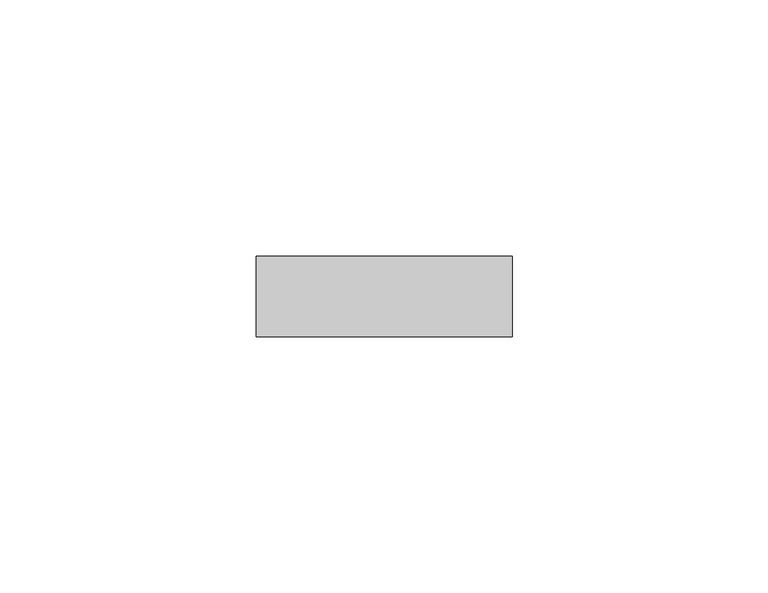
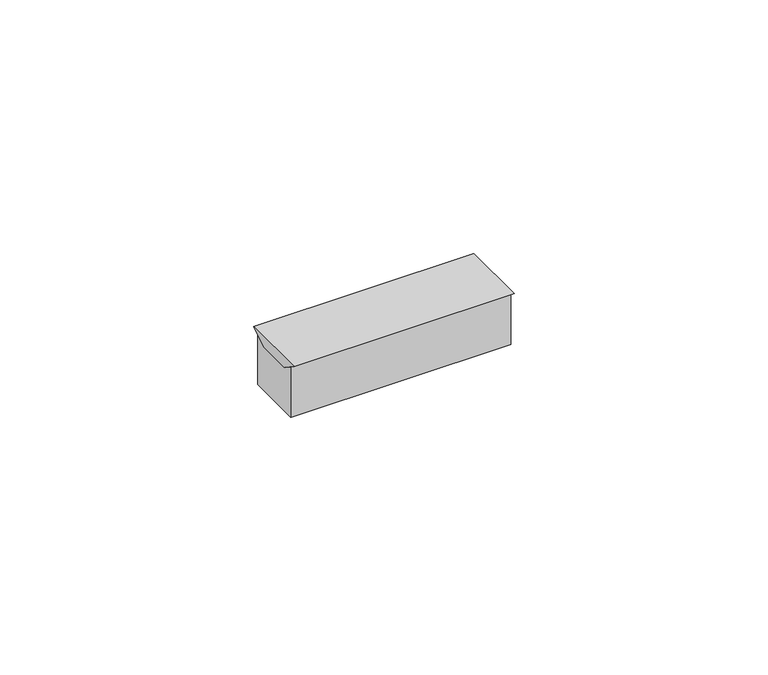
"""IFC4 building model written with IfcOpenShell, lengths in millimetres: light fixture geometry."""

from ifc_helpers import new_model, si_unit, frame, origin, place, context, project, spatial, polyline, outline, extrude, source, transform, mapped, element, save


def light_fixture_9017060b(model_context):
    return source(origin(), model_context, "Body", "SweptSolid", [
        extrude(outline(polyline([(-4.0052359, 10.5052359), (-7.8730995, 13.078125), (7.9375817, 13.078125), (4.0697181, 10.5052359), (-4.0052359, 10.5052359)])), frame((-25.0, 0.0, 0.0), z_axis=(1.0, 0.0, 0.0), x_axis=(0.0, 1.0, 0.0)), (0.0, 0.0, 1.0), 50.0),
        extrude(outline(polyline([(-6.5, 0.0), (-6.5, 12.1647441), (-4.0052359, 10.5052359), (4.0442984, 10.5052359), (6.5, 12.1387599), (6.5, 0.0), (-6.5, 0.0)])), frame((-25.0, 0.0, 0.0), z_axis=(1.0, 0.0, 0.0), x_axis=(0.0, 1.0, 0.0)), (0.0, 0.0, 1.0), 50.0),
    ])


if __name__ == "__main__":
    model = new_model("IFC4")
    model_context = context("Model", 3, world=origin())
    ifc_project = project(units=[si_unit("LENGTHUNIT", "METRE", prefix="MILLI")], contexts=[model_context])
    site = spatial("IfcSite", under=ifc_project)
    building = spatial("IfcBuilding", under=site)
    placement = place(None, origin())
    light_fixture_shape = light_fixture_9017060b(model_context)
    element("IfcLightFixture", 1, at=placement, inside=building, context=model_context, shape_type="MappedRepresentation", body=[
        mapped(light_fixture_shape, transform((0.0, 0.0, 0.0), x_axis=(1.0, 0.0, 0.0), y_axis=(0.0, 1.0, 0.0), z_axis=(0.0, 0.0, 1.0))),
    ])
    save(model, "model.ifc")
